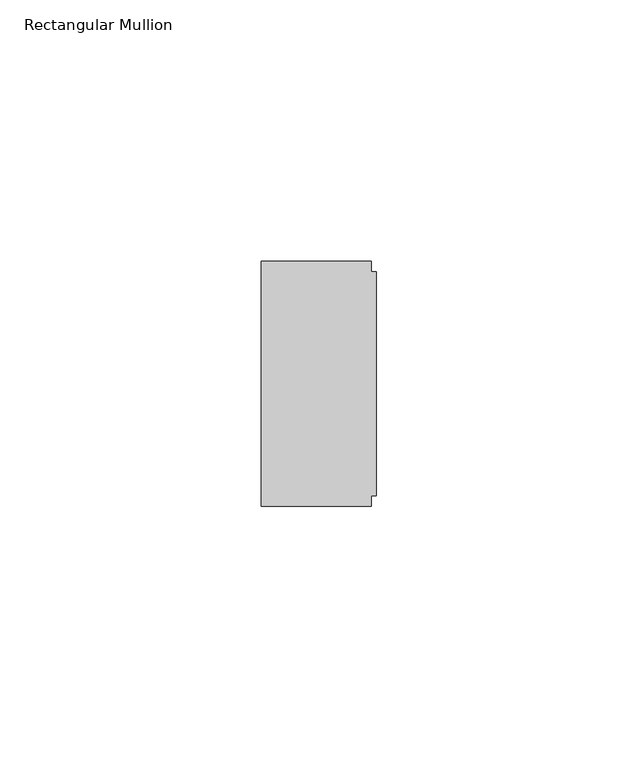
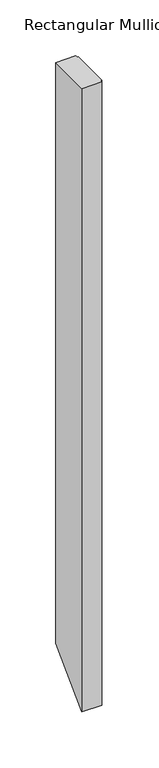
"""IFC4 building model written with IfcOpenShell, lengths in millimetres: member geometry, Rectangular Mullion."""

from ifc_helpers import new_model, si_unit, origin, place, context, project, spatial, faceted_brep, source, transform, mapped, element, save


def rectangular_mullion_9f5d8210(model_context):
    return source(origin(), model_context, "Body", "Brep", [
        faceted_brep([(-1.0, 23.4, 0.0), (-22.0, 23.4, 0.0), (-22.0, -23.4, 0.0), (-1.0, -23.4, 0.0), (-1.0, -21.4, 0.0), (0.0, -21.4, 0.0), (0.0, 21.4, 0.0), (-1.0, 21.4, 0.0), (-1.0, 23.4, -637.0), (-22.0, 23.4, -637.0), (-22.0, -23.4, -683.8), (-1.0, -23.4, -683.8), (-1.0, -21.4, -681.8), (0.0, -21.4, -681.8), (0.0, 21.4, -639.0), (-1.0, 21.4, -639.0)], [[[0, 1, 2, 3, 4, 5, 6, 7]], [[1, 0, 8, 9]], [[2, 1, 9, 10]], [[3, 2, 10, 11]], [[4, 3, 11, 12]], [[5, 4, 12, 13]], [[6, 5, 13, 14]], [[7, 6, 14, 15]], [[0, 7, 15, 8]], [[8, 15, 14, 13, 12, 11, 10, 9]]]),
    ])


if __name__ == "__main__":
    model = new_model("IFC4")
    model_context = context("Model", 3, world=origin())
    ifc_project = project(units=[si_unit("LENGTHUNIT", "METRE", prefix="MILLI")], contexts=[model_context])
    site = spatial("IfcSite", under=ifc_project)
    building = spatial("IfcBuilding", under=site)
    placement = place(None, origin())
    rectangular_mullion_shape = rectangular_mullion_9f5d8210(model_context)
    element("IfcMember", 1, ObjectType="Rectangular Mullion", at=placement, inside=building, context=model_context, shape_type="MappedRepresentation", body=[
        mapped(rectangular_mullion_shape, transform((0.0, 0.0, 0.0), x_axis=(1.0, 0.0, 0.0), y_axis=(0.0, 1.0, 0.0), z_axis=(0.0, 0.0, 1.0))),
    ])
    save(model, "model.ifc")
